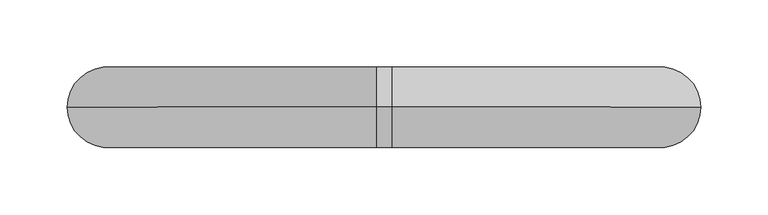
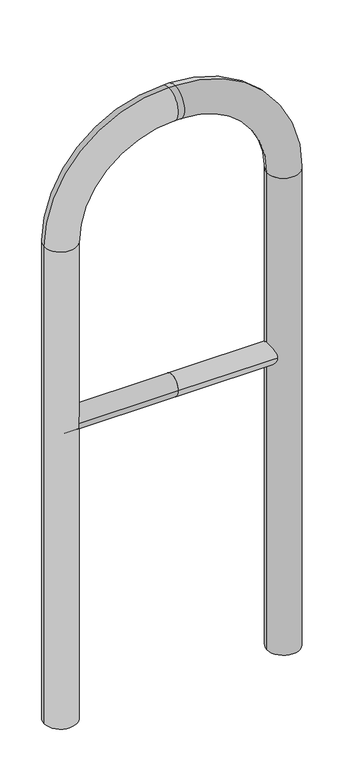
"""IFC4 building model written with IfcOpenShell, lengths in millimetres: proxy geometry."""

from ifc_helpers import new_model, si_unit, point, frame, frame_2d, origin, place, context, project, spatial, circle_curve, ellipse_curve, trimmed, segment, composite_curve, outline, extrude, source, transform, mapped, element, save
from ifc_brep_helpers import plane_surface, cylinder_surface, revolved_surface, advanced_brep


def generic_models_febd1d69(model_context):
    return source(origin(), model_context, "Body", "SolidModel", [
        extrude(outline(composite_curve([segment(trimmed(circle_curve(frame_2d((0.0, 498.4778375)), 20.0), [point((-20.0, 498.4778375))], [point((20.0, 498.4778375))], False, "CARTESIAN"), True, "CONTINUOUS"), segment(trimmed(circle_curve(frame_2d((0.0, 498.4778375)), 20.0), [point((20.0, 498.4778375))], [point((-20.0, 498.4778375))], False, "CARTESIAN"), True, "CONTINUOUS")], self_intersect=False)), frame((-205.8195936, 0.0, 0.0), z_axis=(1.0, 0.0, 0.0), x_axis=(0.0, 1.0, 0.0)), (0.0, 0.0, 1.0), 205.8195936),
        extrude(outline(composite_curve([segment(trimmed(circle_curve(frame_2d((0.0, 498.4778375)), 20.0), [point((-20.0, 498.4778375))], [point((20.0, 498.4778375))], False, "CARTESIAN"), True, "CONTINUOUS"), segment(trimmed(circle_curve(frame_2d((0.0, 498.4778375)), 20.0), [point((20.0, 498.4778375))], [point((-20.0, 498.4778375))], False, "CARTESIAN"), True, "CONTINUOUS")], self_intersect=False)), frame((0.0, 0.0, 0.0), z_axis=(1.0, 0.0, 0.0), x_axis=(0.0, 1.0, 0.0)), (0.0, 0.0, 1.0), 205.8195936),
        advanced_brep(
        [(-175.8195936, 0.0, -80.0), (-235.8195936, 0.0, -80.0), (-175.8195936, 0.0, 850.0), (-235.8195936, 0.0, 850.0), (-5.8195936, 0.0, 1080.0), (-5.8195936, 0.0, 1020.0), (5.8195936, 0.0, 1020.0), (5.8195936, 0.0, 1080.0), (235.8195936, 0.0, 850.0), (175.8195936, 0.0, 850.0), (175.8195936, 0.0, -80.0), (235.8195936, 0.0, -80.0)],
        [
            (0, 1, circle_curve(frame((-205.8195936, 0.0, -80.0), z_axis=(0.0, 0.0, -1.0), x_axis=(-1.0, 0.0, 0.0)), 30.0)),
            (1, 0, circle_curve(frame((-205.8195936, 0.0, -80.0), z_axis=(0.0, 0.0, -1.0), x_axis=(-1.0, 0.0, 0.0)), 30.0)),
            (0, 2),
            (2, 3, circle_curve(frame((-205.8195936, 0.0, 850.0), z_axis=(0.0, 0.0, -1.0), x_axis=(-1.0, 0.0, 0.0)), 30.0)),
            (3, 1),
            (3, 2, circle_curve(frame((-205.8195936, 0.0, 850.0), z_axis=(0.0, 0.0, -1.0), x_axis=(-1.0, 0.0, 0.0)), 30.0)),
            (4, 3, circle_curve(frame((-5.8195936, 0.0, 850.0), z_axis=(0.0, -1.0, 0.0), x_axis=(-1.0, 0.0, 0.0)), 230.0)),
            (2, 5, circle_curve(frame((-5.8195936, 0.0, 850.0), z_axis=(0.0, 1.0, 0.0), x_axis=(-1.0, 0.0, 0.0)), 170.0)),
            (5, 4, circle_curve(frame((-5.8195936, 0.0, 1050.0), z_axis=(-1.0, 0.0, 0.0), x_axis=(0.0, 0.0, 1.0)), 30.0)),
            (4, 5, circle_curve(frame((-5.8195936, 0.0, 1050.0), z_axis=(-1.0, 0.0, 0.0), x_axis=(0.0, 0.0, 1.0)), 30.0)),
            (5, 6),
            (6, 7, circle_curve(frame((5.8195936, 0.0, 1050.0), z_axis=(-1.0, 0.0, 0.0), x_axis=(0.0, 0.0, 1.0)), 30.0)),
            (7, 4),
            (7, 6, circle_curve(frame((5.8195936, 0.0, 1050.0), z_axis=(-1.0, 0.0, 0.0), x_axis=(0.0, 0.0, 1.0)), 30.0)),
            (8, 7, circle_curve(frame((5.8195936, 0.0, 850.0), z_axis=(0.0, -1.0, 0.0), x_axis=(0.0, 0.0, 1.0)), 230.0)),
            (6, 9, circle_curve(frame((5.8195936, 0.0, 850.0), z_axis=(0.0, 1.0, 0.0), x_axis=(0.0, 0.0, 1.0)), 170.0)),
            (9, 8, circle_curve(frame((205.8195936, 0.0, 850.0), z_axis=(0.0, 0.0, 1.0), x_axis=(1.0, 0.0, 0.0)), 30.0)),
            (8, 9, circle_curve(frame((205.8195936, 0.0, 850.0), z_axis=(0.0, 0.0, 1.0), x_axis=(1.0, 0.0, 0.0)), 30.0)),
            (10, 11, circle_curve(frame((205.8195936, 0.0, -80.0), z_axis=(0.0, 0.0, -1.0), x_axis=(1.0, 0.0, 0.0)), 30.0)),
            (11, 10, circle_curve(frame((205.8195936, 0.0, -80.0), z_axis=(0.0, 0.0, -1.0), x_axis=(1.0, 0.0, 0.0)), 30.0)),
            (9, 10),
            (11, 8),
        ],
        [
            plane_surface(frame((-205.8195936, 0.0, -80.0), z_axis=(0.0, 0.0, -1.0), x_axis=(0.0, -1.0, 0.0))),
            cylinder_surface(frame((-205.8195936, 0.0, -80.0), z_axis=(0.0, 0.0, -1.0), x_axis=(-1.0, 0.0, 0.0)), 30.0),
            revolved_surface(trimmed(ellipse_curve(frame((-205.8195936, 0.0, 850.0), z_axis=(0.0, 0.0, -1.0), x_axis=(-1.0, 0.0, 0.0)), 30.0, 30.0), [point((-175.8195936, 0.0, 850.0))], [point((-235.8195936, 0.0, 850.0))], True, "CARTESIAN"), (-5.8195936, 0.0, 850.0), (0.0, 1.0, 0.0)),
            revolved_surface(trimmed(ellipse_curve(frame((-205.8195936, 0.0, 850.0), z_axis=(0.0, 0.0, -1.0), x_axis=(-1.0, 0.0, 0.0)), 30.0, 30.0), [point((-235.8195936, 0.0, 850.0))], [point((-175.8195936, 0.0, 850.0))], True, "CARTESIAN"), (-5.8195936, 0.0, 850.0), (0.0, 1.0, 0.0)),
            cylinder_surface(frame((-5.8195936, 0.0, 1050.0), z_axis=(-1.0, 0.0, 0.0), x_axis=(0.0, 0.0, 1.0)), 30.0),
            revolved_surface(trimmed(ellipse_curve(frame((5.8195936, 0.0, 1050.0), z_axis=(-1.0, 0.0, 0.0), x_axis=(0.0, 0.0, 1.0)), 30.0, 30.0), [point((5.8195936, 0.0, 1020.0))], [point((5.8195936, 0.0, 1080.0))], True, "CARTESIAN"), (5.8195936, 0.0, 850.0), (0.0, 1.0, 0.0)),
            revolved_surface(trimmed(ellipse_curve(frame((5.8195936, 0.0, 1050.0), z_axis=(-1.0, 0.0, 0.0), x_axis=(0.0, 0.0, 1.0)), 30.0, 30.0), [point((5.8195936, 0.0, 1080.0))], [point((5.8195936, 0.0, 1020.0))], True, "CARTESIAN"), (5.8195936, 0.0, 850.0), (0.0, 1.0, 0.0)),
            plane_surface(frame((205.8195936, 0.0, -80.0), z_axis=(0.0, 0.0, -1.0), x_axis=(0.0, -1.0, 0.0))),
            cylinder_surface(frame((205.8195936, 0.0, 850.0), z_axis=(0.0, 0.0, 1.0), x_axis=(1.0, 0.0, 0.0)), 30.0),
        ],
        [
            (0, [[1, 2]]),
            (1, [[-1, 3, 4, 5]]),
            (1, [[-2, -5, 6, -3]]),
            (2, [[7, -4, 8, 9]]),
            (3, [[-8, -6, -7, 10]]),
            (4, [[-9, 11, 12, 13]]),
            (4, [[-10, -13, 14, -11]]),
            (5, [[15, -12, 16, 17]]),
            (6, [[-16, -14, -15, 18]]),
            (7, [[19, 20]]),
            (8, [[-17, 21, -20, 22]]),
            (8, [[-18, -22, -19, -21]]),
        ],
    ),
    ])


if __name__ == "__main__":
    model = new_model("IFC4")
    model_context = context("Model", 3, world=origin())
    ifc_project = project(units=[si_unit("LENGTHUNIT", "METRE", prefix="MILLI")], contexts=[model_context])
    site = spatial("IfcSite", under=ifc_project)
    building = spatial("IfcBuilding", under=site)
    placement = place(None, origin())
    generic_models_shape = generic_models_febd1d69(model_context)
    element("IfcBuildingElementProxy", 1, Name="Generic Models", at=placement, inside=building, context=model_context, shape_type="MappedRepresentation", body=[
        mapped(generic_models_shape, transform((0.0, 0.0, 0.0), x_axis=(1.0, 0.0, 0.0), y_axis=(0.0, 1.0, 0.0), z_axis=(0.0, 0.0, 1.0))),
    ])
    save(model, "model.ifc")
